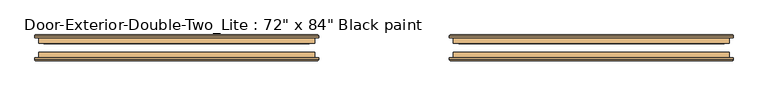
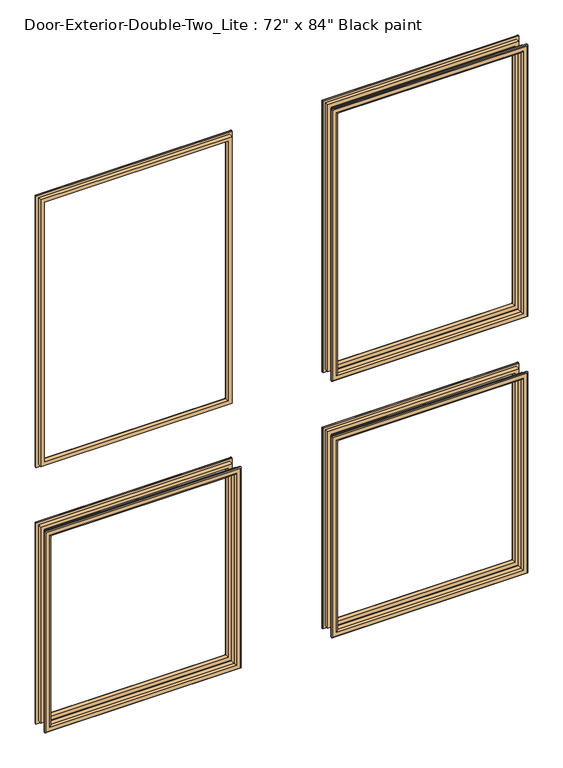
"""IFC4 building model written with IfcOpenShell, lengths in millimetres: door geometry."""

from ifc_helpers import new_model, si_unit, frame, origin, place, context, project, spatial, ellipse_curve, source, transform, mapped, element, save
from ifc_brep_helpers import plane_surface, cylinder_surface, advanced_brep


def door_3f34ee14(model_context):
    return source(origin(), model_context, "Body", "AdvancedBrep", [
        advanced_brep(
        [(-762.0, 144.4625, 914.4), (-762.0, 157.1625, 914.4), (-762.0, 157.1625, 254.0), (-762.0, 144.4625, 254.0), (-750.0, 158.1625, 902.4), (-750.0, 144.4625, 902.4), (-750.0, 144.4625, 266.0), (-750.0, 158.1625, 266.0), (-755.0, 163.1625, 907.4), (-755.0, 163.1625, 261.0), (-770.0, 161.1625, 922.4), (-768.0, 163.1625, 920.4), (-768.0, 163.1625, 248.0), (-770.0, 161.1625, 246.0), (-770.0, 157.1625, 922.4), (-770.0, 157.1625, 246.0), (-152.4, 157.1625, 254.0), (-152.4, 144.4625, 254.0), (-164.4, 144.4625, 266.0), (-164.4, 158.1625, 266.0), (-159.4, 163.1625, 261.0), (-146.4, 163.1625, 248.0), (-144.4, 161.1625, 246.0), (-144.4, 157.1625, 246.0), (-152.4, 157.1625, 914.4), (-152.4, 144.4625, 914.4), (-164.4, 144.4625, 902.4), (-164.4, 158.1625, 902.4), (-159.4, 163.1625, 907.4), (-146.4, 163.1625, 920.4), (-144.4, 161.1625, 922.4), (-144.4, 157.1625, 922.4)],
        [
            (0, 1),
            (1, 2),
            (2, 3),
            (3, 0),
            (4, 5),
            (5, 6),
            (6, 7),
            (7, 4),
            (8, 4, ellipse_curve(frame((-755.0, 158.1625, 907.4), z_axis=(-0.7071067811865475, 0.0, -0.7071067811865475), x_axis=(-0.7071067811865474, 0.0, 0.7071067811865476)), 7.0710678, 5.0)),
            (7, 9, ellipse_curve(frame((-755.0, 158.1625, 261.0), z_axis=(-0.7071067811865475, 0.0, 0.7071067811865475), x_axis=(0.7071067811865474, 0.0, 0.7071067811865476)), 7.0710678, 5.0)),
            (9, 8),
            (10, 11, ellipse_curve(frame((-768.0, 161.1625, 920.4), z_axis=(-0.7071067811865475, 0.0, -0.7071067811865475), x_axis=(-0.7071067811865474, 0.0, 0.7071067811865476)), 2.8284271, 2.0)),
            (11, 12),
            (12, 13, ellipse_curve(frame((-768.0, 161.1625, 248.0), z_axis=(-0.7071067811865475, 0.0, 0.7071067811865475), x_axis=(0.7071067811865474, 0.0, 0.7071067811865476)), 2.8284271, 2.0)),
            (13, 10),
            (14, 10),
            (13, 15),
            (15, 14),
            (2, 16),
            (16, 17),
            (17, 3),
            (6, 18),
            (18, 19),
            (19, 7),
            (19, 20, ellipse_curve(frame((-159.4, 158.1625, 261.0), z_axis=(-0.7071067811865475, 0.0, -0.7071067811865475), x_axis=(-0.7071067811865476, 0.0, 0.7071067811865474)), 7.0710678, 5.0)),
            (20, 9),
            (12, 21),
            (21, 22, ellipse_curve(frame((-146.4, 161.1625, 248.0), z_axis=(-0.7071067811865475, 0.0, -0.7071067811865475), x_axis=(-0.7071067811865476, 0.0, 0.7071067811865474)), 2.8284271, 2.0)),
            (22, 13),
            (22, 23),
            (23, 15),
            (16, 24),
            (24, 25),
            (25, 17),
            (18, 26),
            (26, 27),
            (27, 19),
            (27, 28, ellipse_curve(frame((-159.4, 158.1625, 907.4), z_axis=(0.7071067811865475, 0.0, -0.7071067811865475), x_axis=(-0.7071067811865474, 0.0, -0.7071067811865476)), 7.0710678, 5.0)),
            (28, 20),
            (21, 29),
            (29, 30, ellipse_curve(frame((-146.4, 161.1625, 920.4), z_axis=(0.7071067811865475, 0.0, -0.7071067811865475), x_axis=(-0.7071067811865474, 0.0, -0.7071067811865476)), 2.8284271, 2.0)),
            (30, 22),
            (30, 31),
            (31, 23),
            (31, 14),
            (1, 24),
            (0, 25),
            (5, 26),
            (4, 27),
            (8, 28),
            (11, 29),
            (10, 30),
        ],
        [
            plane_surface(frame((-762.0, 157.1625, 914.4), z_axis=(-1.0, 0.0, 0.0), x_axis=(0.0, 0.0, -1.0))),
            plane_surface(frame((-750.0, 144.4625, 902.4), z_axis=(1.0, 0.0, 0.0), x_axis=(0.0, 0.0, -1.0))),
            cylinder_surface(frame((-755.0, 158.1625, 914.4), z_axis=(0.0, 0.0, 1.0), x_axis=(-1.0, 0.0, 0.0)), 5.0),
            cylinder_surface(frame((-768.0, 161.1625, 914.4), z_axis=(0.0, 0.0, 1.0), x_axis=(-1.0, 0.0, 0.0)), 2.0),
            plane_surface(frame((-770.0, 161.1625, 922.4), z_axis=(-1.0, 0.0, 0.0), x_axis=(0.0, 0.0, -1.0))),
            plane_surface(frame((-762.0, 157.1625, 254.0), z_axis=(0.0, 0.0, -1.0), x_axis=(1.0, 0.0, 0.0))),
            plane_surface(frame((-750.0, 144.4625, 266.0), z_axis=(0.0, 0.0, 1.0), x_axis=(1.0, 0.0, 0.0))),
            cylinder_surface(frame((-762.0, 158.1625, 261.0), z_axis=(-1.0, 0.0, 0.0), x_axis=(0.0, 0.0, -1.0)), 5.0),
            cylinder_surface(frame((-762.0, 161.1625, 248.0), z_axis=(-1.0, 0.0, 0.0), x_axis=(0.0, 0.0, -1.0)), 2.0),
            plane_surface(frame((-770.0, 161.1625, 246.0), z_axis=(0.0, 0.0, -1.0), x_axis=(1.0, 0.0, 0.0))),
            plane_surface(frame((-152.4, 157.1625, 254.0), z_axis=(1.0, 0.0, 0.0), x_axis=(0.0, 0.0, 1.0))),
            plane_surface(frame((-164.4, 144.4625, 266.0), z_axis=(-1.0, 0.0, 0.0), x_axis=(0.0, 0.0, 1.0))),
            cylinder_surface(frame((-159.4, 158.1625, 254.0), z_axis=(0.0, 0.0, -1.0), x_axis=(1.0, 0.0, 0.0)), 5.0),
            cylinder_surface(frame((-146.4, 161.1625, 254.0), z_axis=(0.0, 0.0, -1.0), x_axis=(1.0, 0.0, 0.0)), 2.0),
            plane_surface(frame((-144.4, 161.1625, 246.0), z_axis=(1.0, 0.0, 0.0), x_axis=(0.0, 0.0, 1.0))),
            plane_surface(frame((-144.4, 157.1625, 922.4), z_axis=(0.0, -1.0, 0.0), x_axis=(-1.0, 0.0, 0.0))),
            plane_surface(frame((-152.4, 157.1625, 914.4), z_axis=(0.0, 0.0, 1.0), x_axis=(-1.0, 0.0, 0.0))),
            plane_surface(frame((-152.4, 144.4625, 914.4), z_axis=(0.0, -1.0, 0.0), x_axis=(-1.0, 0.0, 0.0))),
            plane_surface(frame((-164.4, 144.4625, 902.4), z_axis=(0.0, 0.0, -1.0), x_axis=(-1.0, 0.0, 0.0))),
            cylinder_surface(frame((-152.4, 158.1625, 907.4), z_axis=(1.0, 0.0, 0.0), x_axis=(0.0, 0.0, 1.0)), 5.0),
            plane_surface(frame((-159.4, 163.1625, 907.4), z_axis=(0.0, 1.0, 0.0), x_axis=(-1.0, 0.0, 0.0))),
            cylinder_surface(frame((-152.4, 161.1625, 920.4), z_axis=(1.0, 0.0, 0.0), x_axis=(0.0, 0.0, 1.0)), 2.0),
            plane_surface(frame((-144.4, 161.1625, 922.4), z_axis=(0.0, 0.0, 1.0), x_axis=(-1.0, 0.0, 0.0))),
        ],
        [
            (0, [[1, 2, 3, 4]]),
            (1, [[5, 6, 7, 8]]),
            (2, [[9, -8, 10, 11]]),
            (3, [[12, 13, 14, 15]]),
            (4, [[16, -15, 17, 18]]),
            (5, [[-3, 19, 20, 21]]),
            (6, [[-7, 22, 23, 24]]),
            (7, [[-10, -24, 25, 26]]),
            (8, [[-14, 27, 28, 29]]),
            (9, [[-17, -29, 30, 31]]),
            (10, [[-20, 32, 33, 34]]),
            (11, [[-23, 35, 36, 37]]),
            (12, [[-25, -37, 38, 39]]),
            (13, [[-28, 40, 41, 42]]),
            (14, [[-30, -42, 43, 44]]),
            (15, [[-31, -44, 45, -18], [46, -32, -19, -2]]),
            (16, [[-33, -46, -1, 47]]),
            (17, [[-21, -34, -47, -4], [48, -35, -22, -6]]),
            (18, [[-36, -48, -5, 49]]),
            (19, [[-38, -49, -9, 50]]),
            (20, [[51, -40, -27, -13], [-26, -39, -50, -11]]),
            (21, [[-41, -51, -12, 52]]),
            (22, [[-43, -52, -16, -45]]),
        ],
    ),
        advanced_brep(
        [(152.4, 144.4625, 914.4), (152.4, 157.1625, 914.4), (152.4, 157.1625, 254.0), (152.4, 144.4625, 254.0), (164.4, 158.1625, 902.4), (164.4, 144.4625, 902.4), (164.4, 144.4625, 266.0), (164.4, 158.1625, 266.0), (159.4, 163.1625, 907.4), (159.4, 163.1625, 261.0), (144.4, 161.1625, 922.4), (146.4, 163.1625, 920.4), (146.4, 163.1625, 248.0), (144.4, 161.1625, 246.0), (144.4, 157.1625, 922.4), (144.4, 157.1625, 246.0), (762.0, 157.1625, 254.0), (762.0, 144.4625, 254.0), (750.0, 144.4625, 266.0), (750.0, 158.1625, 266.0), (755.0, 163.1625, 261.0), (768.0, 163.1625, 248.0), (770.0, 161.1625, 246.0), (770.0, 157.1625, 246.0), (762.0, 157.1625, 914.4), (762.0, 144.4625, 914.4), (750.0, 144.4625, 902.4), (750.0, 158.1625, 902.4), (755.0, 163.1625, 907.4), (768.0, 163.1625, 920.4), (770.0, 161.1625, 922.4), (770.0, 157.1625, 922.4)],
        [
            (0, 1),
            (1, 2),
            (2, 3),
            (3, 0),
            (4, 5),
            (5, 6),
            (6, 7),
            (7, 4),
            (8, 4, ellipse_curve(frame((159.4, 158.1625, 907.4), z_axis=(-0.7071067811865475, 0.0, -0.7071067811865475), x_axis=(-0.7071067811865474, 0.0, 0.7071067811865476)), 7.0710678, 5.0)),
            (7, 9, ellipse_curve(frame((159.4, 158.1625, 261.0), z_axis=(-0.7071067811865475, 0.0, 0.7071067811865475), x_axis=(0.7071067811865474, 0.0, 0.7071067811865476)), 7.0710678, 5.0)),
            (9, 8),
            (10, 11, ellipse_curve(frame((146.4, 161.1625, 920.4), z_axis=(-0.7071067811865475, 0.0, -0.7071067811865475), x_axis=(-0.7071067811865474, 0.0, 0.7071067811865476)), 2.8284271, 2.0)),
            (11, 12),
            (12, 13, ellipse_curve(frame((146.4, 161.1625, 248.0), z_axis=(-0.7071067811865475, 0.0, 0.7071067811865475), x_axis=(0.7071067811865474, 0.0, 0.7071067811865476)), 2.8284271, 2.0)),
            (13, 10),
            (14, 10),
            (13, 15),
            (15, 14),
            (2, 16),
            (16, 17),
            (17, 3),
            (6, 18),
            (18, 19),
            (19, 7),
            (19, 20, ellipse_curve(frame((755.0, 158.1625, 261.0), z_axis=(-0.7071067811865475, 0.0, -0.7071067811865475), x_axis=(-0.7071067811865476, 0.0, 0.7071067811865474)), 7.0710678, 5.0)),
            (20, 9),
            (12, 21),
            (21, 22, ellipse_curve(frame((768.0, 161.1625, 248.0), z_axis=(-0.7071067811865475, 0.0, -0.7071067811865475), x_axis=(-0.7071067811865476, 0.0, 0.7071067811865474)), 2.8284271, 2.0)),
            (22, 13),
            (22, 23),
            (23, 15),
            (16, 24),
            (24, 25),
            (25, 17),
            (18, 26),
            (26, 27),
            (27, 19),
            (27, 28, ellipse_curve(frame((755.0, 158.1625, 907.4), z_axis=(0.7071067811865475, 0.0, -0.7071067811865475), x_axis=(-0.7071067811865474, 0.0, -0.7071067811865476)), 7.0710678, 5.0)),
            (28, 20),
            (21, 29),
            (29, 30, ellipse_curve(frame((768.0, 161.1625, 920.4), z_axis=(0.7071067811865475, 0.0, -0.7071067811865475), x_axis=(-0.7071067811865474, 0.0, -0.7071067811865476)), 2.8284271, 2.0)),
            (30, 22),
            (30, 31),
            (31, 23),
            (31, 14),
            (1, 24),
            (0, 25),
            (5, 26),
            (4, 27),
            (8, 28),
            (11, 29),
            (10, 30),
        ],
        [
            plane_surface(frame((152.4, 157.1625, 914.4), z_axis=(-1.0, 0.0, 0.0), x_axis=(0.0, 0.0, -1.0))),
            plane_surface(frame((164.4, 144.4625, 902.4), z_axis=(1.0, 0.0, 0.0), x_axis=(0.0, 0.0, -1.0))),
            cylinder_surface(frame((159.4, 158.1625, 914.4), z_axis=(0.0, 0.0, 1.0), x_axis=(-1.0, 0.0, 0.0)), 5.0),
            cylinder_surface(frame((146.4, 161.1625, 914.4), z_axis=(0.0, 0.0, 1.0), x_axis=(-1.0, 0.0, 0.0)), 2.0),
            plane_surface(frame((144.4, 161.1625, 922.4), z_axis=(-1.0, 0.0, 0.0), x_axis=(0.0, 0.0, -1.0))),
            plane_surface(frame((152.4, 157.1625, 254.0), z_axis=(0.0, 0.0, -1.0), x_axis=(1.0, 0.0, 0.0))),
            plane_surface(frame((164.4, 144.4625, 266.0), z_axis=(0.0, 0.0, 1.0), x_axis=(1.0, 0.0, 0.0))),
            cylinder_surface(frame((152.4, 158.1625, 261.0), z_axis=(-1.0, 0.0, 0.0), x_axis=(0.0, 0.0, -1.0)), 5.0),
            cylinder_surface(frame((152.4, 161.1625, 248.0), z_axis=(-1.0, 0.0, 0.0), x_axis=(0.0, 0.0, -1.0)), 2.0),
            plane_surface(frame((144.4, 161.1625, 246.0), z_axis=(0.0, 0.0, -1.0), x_axis=(1.0, 0.0, 0.0))),
            plane_surface(frame((762.0, 157.1625, 254.0), z_axis=(1.0, 0.0, 0.0), x_axis=(0.0, 0.0, 1.0))),
            plane_surface(frame((750.0, 144.4625, 266.0), z_axis=(-1.0, 0.0, 0.0), x_axis=(0.0, 0.0, 1.0))),
            cylinder_surface(frame((755.0, 158.1625, 254.0), z_axis=(0.0, 0.0, -1.0), x_axis=(1.0, 0.0, 0.0)), 5.0),
            cylinder_surface(frame((768.0, 161.1625, 254.0), z_axis=(0.0, 0.0, -1.0), x_axis=(1.0, 0.0, 0.0)), 2.0),
            plane_surface(frame((770.0, 161.1625, 246.0), z_axis=(1.0, 0.0, 0.0), x_axis=(0.0, 0.0, 1.0))),
            plane_surface(frame((770.0, 157.1625, 922.4), z_axis=(0.0, -1.0, 0.0), x_axis=(-1.0, 0.0, 0.0))),
            plane_surface(frame((762.0, 157.1625, 914.4), z_axis=(0.0, 0.0, 1.0), x_axis=(-1.0, 0.0, 0.0))),
            plane_surface(frame((762.0, 144.4625, 914.4), z_axis=(0.0, -1.0, 0.0), x_axis=(-1.0, 0.0, 0.0))),
            plane_surface(frame((750.0, 144.4625, 902.4), z_axis=(0.0, 0.0, -1.0), x_axis=(-1.0, 0.0, 0.0))),
            cylinder_surface(frame((762.0, 158.1625, 907.4), z_axis=(1.0, 0.0, 0.0), x_axis=(0.0, 0.0, 1.0)), 5.0),
            plane_surface(frame((755.0, 163.1625, 907.4), z_axis=(0.0, 1.0, 0.0), x_axis=(-1.0, 0.0, 0.0))),
            cylinder_surface(frame((762.0, 161.1625, 920.4), z_axis=(1.0, 0.0, 0.0), x_axis=(0.0, 0.0, 1.0)), 2.0),
            plane_surface(frame((770.0, 161.1625, 922.4), z_axis=(0.0, 0.0, 1.0), x_axis=(-1.0, 0.0, 0.0))),
        ],
        [
            (0, [[1, 2, 3, 4]]),
            (1, [[5, 6, 7, 8]]),
            (2, [[9, -8, 10, 11]]),
            (3, [[12, 13, 14, 15]]),
            (4, [[16, -15, 17, 18]]),
            (5, [[-3, 19, 20, 21]]),
            (6, [[-7, 22, 23, 24]]),
            (7, [[-10, -24, 25, 26]]),
            (8, [[-14, 27, 28, 29]]),
            (9, [[-17, -29, 30, 31]]),
            (10, [[-20, 32, 33, 34]]),
            (11, [[-23, 35, 36, 37]]),
            (12, [[-25, -37, 38, 39]]),
            (13, [[-28, 40, 41, 42]]),
            (14, [[-30, -42, 43, 44]]),
            (15, [[-31, -44, 45, -18], [46, -32, -19, -2]]),
            (16, [[-33, -46, -1, 47]]),
            (17, [[-21, -34, -47, -4], [48, -35, -22, -6]]),
            (18, [[-36, -48, -5, 49]]),
            (19, [[-38, -49, -9, 50]]),
            (20, [[51, -40, -27, -13], [-26, -39, -50, -11]]),
            (21, [[-41, -51, -12, 52]]),
            (22, [[-43, -52, -16, -45]]),
        ],
    ),
        advanced_brep(
        [(152.4, 144.4625, 2016.125), (152.4, 157.1625, 2016.125), (152.4, 157.1625, 1117.6), (152.4, 144.4625, 1117.6), (164.4, 158.1625, 2004.125), (164.4, 144.4625, 2004.125), (164.4, 144.4625, 1129.6), (164.4, 158.1625, 1129.6), (159.4, 163.1625, 2009.125), (159.4, 163.1625, 1124.6), (144.4, 161.1625, 2024.125), (146.4, 163.1625, 2022.125), (146.4, 163.1625, 1111.6), (144.4, 161.1625, 1109.6), (144.4, 157.1625, 2024.125), (144.4, 157.1625, 1109.6), (762.0, 157.1625, 1117.6), (762.0, 144.4625, 1117.6), (750.0, 144.4625, 1129.6), (750.0, 158.1625, 1129.6), (755.0, 163.1625, 1124.6), (768.0, 163.1625, 1111.6), (770.0, 161.1625, 1109.6), (770.0, 157.1625, 1109.6), (762.0, 157.1625, 2016.125), (762.0, 144.4625, 2016.125), (750.0, 144.4625, 2004.125), (750.0, 158.1625, 2004.125), (755.0, 163.1625, 2009.125), (768.0, 163.1625, 2022.125), (770.0, 161.1625, 2024.125), (770.0, 157.1625, 2024.125)],
        [
            (0, 1),
            (1, 2),
            (2, 3),
            (3, 0),
            (4, 5),
            (5, 6),
            (6, 7),
            (7, 4),
            (8, 4, ellipse_curve(frame((159.4, 158.1625, 2009.125), z_axis=(-0.7071067811865475, 0.0, -0.7071067811865475), x_axis=(-0.7071067811865474, 0.0, 0.7071067811865476)), 7.0710678, 5.0)),
            (7, 9, ellipse_curve(frame((159.4, 158.1625, 1124.6), z_axis=(-0.7071067811865475, 0.0, 0.7071067811865475), x_axis=(0.7071067811865474, 0.0, 0.7071067811865476)), 7.0710678, 5.0)),
            (9, 8),
            (10, 11, ellipse_curve(frame((146.4, 161.1625, 2022.125), z_axis=(-0.7071067811865475, 0.0, -0.7071067811865475), x_axis=(-0.7071067811865474, 0.0, 0.7071067811865476)), 2.8284271, 2.0)),
            (11, 12),
            (12, 13, ellipse_curve(frame((146.4, 161.1625, 1111.6), z_axis=(-0.7071067811865475, 0.0, 0.7071067811865475), x_axis=(0.7071067811865474, 0.0, 0.7071067811865476)), 2.8284271, 2.0)),
            (13, 10),
            (14, 10),
            (13, 15),
            (15, 14),
            (2, 16),
            (16, 17),
            (17, 3),
            (6, 18),
            (18, 19),
            (19, 7),
            (19, 20, ellipse_curve(frame((755.0, 158.1625, 1124.6), z_axis=(-0.7071067811865475, 0.0, -0.7071067811865475), x_axis=(-0.7071067811865476, 0.0, 0.7071067811865474)), 7.0710678, 5.0)),
            (20, 9),
            (12, 21),
            (21, 22, ellipse_curve(frame((768.0, 161.1625, 1111.6), z_axis=(-0.7071067811865475, 0.0, -0.7071067811865475), x_axis=(-0.7071067811865476, 0.0, 0.7071067811865474)), 2.8284271, 2.0)),
            (22, 13),
            (22, 23),
            (23, 15),
            (16, 24),
            (24, 25),
            (25, 17),
            (18, 26),
            (26, 27),
            (27, 19),
            (27, 28, ellipse_curve(frame((755.0, 158.1625, 2009.125), z_axis=(0.7071067811865475, 0.0, -0.7071067811865475), x_axis=(-0.7071067811865474, 0.0, -0.7071067811865476)), 7.0710678, 5.0)),
            (28, 20),
            (21, 29),
            (29, 30, ellipse_curve(frame((768.0, 161.1625, 2022.125), z_axis=(0.7071067811865475, 0.0, -0.7071067811865475), x_axis=(-0.7071067811865474, 0.0, -0.7071067811865476)), 2.8284271, 2.0)),
            (30, 22),
            (30, 31),
            (31, 23),
            (31, 14),
            (1, 24),
            (0, 25),
            (5, 26),
            (4, 27),
            (8, 28),
            (11, 29),
            (10, 30),
        ],
        [
            plane_surface(frame((152.4, 157.1625, 2016.125), z_axis=(-1.0, 0.0, 0.0), x_axis=(0.0, 0.0, -1.0))),
            plane_surface(frame((164.4, 144.4625, 2004.125), z_axis=(1.0, 0.0, 0.0), x_axis=(0.0, 0.0, -1.0))),
            cylinder_surface(frame((159.4, 158.1625, 2016.125), z_axis=(0.0, 0.0, 1.0), x_axis=(-1.0, 0.0, 0.0)), 5.0),
            cylinder_surface(frame((146.4, 161.1625, 2016.125), z_axis=(0.0, 0.0, 1.0), x_axis=(-1.0, 0.0, 0.0)), 2.0),
            plane_surface(frame((144.4, 161.1625, 2024.125), z_axis=(-1.0, 0.0, 0.0), x_axis=(0.0, 0.0, -1.0))),
            plane_surface(frame((152.4, 157.1625, 1117.6), z_axis=(0.0, 0.0, -1.0), x_axis=(1.0, 0.0, 0.0))),
            plane_surface(frame((164.4, 144.4625, 1129.6), z_axis=(0.0, 0.0, 1.0), x_axis=(1.0, 0.0, 0.0))),
            cylinder_surface(frame((152.4, 158.1625, 1124.6), z_axis=(-1.0, 0.0, 0.0), x_axis=(0.0, 0.0, -1.0)), 5.0),
            cylinder_surface(frame((152.4, 161.1625, 1111.6), z_axis=(-1.0, 0.0, 0.0), x_axis=(0.0, 0.0, -1.0)), 2.0),
            plane_surface(frame((144.4, 161.1625, 1109.6), z_axis=(0.0, 0.0, -1.0), x_axis=(1.0, 0.0, 0.0))),
            plane_surface(frame((762.0, 157.1625, 1117.6), z_axis=(1.0, 0.0, 0.0), x_axis=(0.0, 0.0, 1.0))),
            plane_surface(frame((750.0, 144.4625, 1129.6), z_axis=(-1.0, 0.0, 0.0), x_axis=(0.0, 0.0, 1.0))),
            cylinder_surface(frame((755.0, 158.1625, 1117.6), z_axis=(0.0, 0.0, -1.0), x_axis=(1.0, 0.0, 0.0)), 5.0),
            cylinder_surface(frame((768.0, 161.1625, 1117.6), z_axis=(0.0, 0.0, -1.0), x_axis=(1.0, 0.0, 0.0)), 2.0),
            plane_surface(frame((770.0, 161.1625, 1109.6), z_axis=(1.0, 0.0, 0.0), x_axis=(0.0, 0.0, 1.0))),
            plane_surface(frame((770.0, 157.1625, 2024.125), z_axis=(0.0, -1.0, 0.0), x_axis=(-1.0, 0.0, 0.0))),
            plane_surface(frame((762.0, 157.1625, 2016.125), z_axis=(0.0, 0.0, 1.0), x_axis=(-1.0, 0.0, 0.0))),
            plane_surface(frame((762.0, 144.4625, 2016.125), z_axis=(0.0, -1.0, 0.0), x_axis=(-1.0, 0.0, 0.0))),
            plane_surface(frame((750.0, 144.4625, 2004.125), z_axis=(0.0, 0.0, -1.0), x_axis=(-1.0, 0.0, 0.0))),
            cylinder_surface(frame((762.0, 158.1625, 2009.125), z_axis=(1.0, 0.0, 0.0), x_axis=(0.0, 0.0, 1.0)), 5.0),
            plane_surface(frame((755.0, 163.1625, 2009.125), z_axis=(0.0, 1.0, 0.0), x_axis=(-1.0, 0.0, 0.0))),
            cylinder_surface(frame((762.0, 161.1625, 2022.125), z_axis=(1.0, 0.0, 0.0), x_axis=(0.0, 0.0, 1.0)), 2.0),
            plane_surface(frame((770.0, 161.1625, 2024.125), z_axis=(0.0, 0.0, 1.0), x_axis=(-1.0, 0.0, 0.0))),
        ],
        [
            (0, [[1, 2, 3, 4]]),
            (1, [[5, 6, 7, 8]]),
            (2, [[9, -8, 10, 11]]),
            (3, [[12, 13, 14, 15]]),
            (4, [[16, -15, 17, 18]]),
            (5, [[-3, 19, 20, 21]]),
            (6, [[-7, 22, 23, 24]]),
            (7, [[-10, -24, 25, 26]]),
            (8, [[-14, 27, 28, 29]]),
            (9, [[-17, -29, 30, 31]]),
            (10, [[-20, 32, 33, 34]]),
            (11, [[-23, 35, 36, 37]]),
            (12, [[-25, -37, 38, 39]]),
            (13, [[-28, 40, 41, 42]]),
            (14, [[-30, -42, 43, 44]]),
            (15, [[-31, -44, 45, -18], [46, -32, -19, -2]]),
            (16, [[-33, -46, -1, 47]]),
            (17, [[-21, -34, -47, -4], [48, -35, -22, -6]]),
            (18, [[-36, -48, -5, 49]]),
            (19, [[-38, -49, -9, 50]]),
            (20, [[51, -40, -27, -13], [-26, -39, -50, -11]]),
            (21, [[-41, -51, -12, 52]]),
            (22, [[-43, -52, -16, -45]]),
        ],
    ),
        advanced_brep(
        [(-762.0, 144.4625, 2016.125), (-762.0, 157.1625, 2016.125), (-762.0, 157.1625, 1117.6), (-762.0, 144.4625, 1117.6), (-750.0, 158.1625, 2004.125), (-750.0, 144.4625, 2004.125), (-750.0, 144.4625, 1129.6), (-750.0, 158.1625, 1129.6), (-755.0, 163.1625, 2009.125), (-755.0, 163.1625, 1124.6), (-770.0, 161.1625, 2024.125), (-768.0, 163.1625, 2022.125), (-768.0, 163.1625, 1111.6), (-770.0, 161.1625, 1109.6), (-770.0, 157.1625, 2024.125), (-770.0, 157.1625, 1109.6), (-152.4, 157.1625, 1117.6), (-152.4, 144.4625, 1117.6), (-164.4, 144.4625, 1129.6), (-164.4, 158.1625, 1129.6), (-159.4, 163.1625, 1124.6), (-146.4, 163.1625, 1111.6), (-144.4, 161.1625, 1109.6), (-144.4, 157.1625, 1109.6), (-152.4, 157.1625, 2016.125), (-152.4, 144.4625, 2016.125), (-164.4, 144.4625, 2004.125), (-164.4, 158.1625, 2004.125), (-159.4, 163.1625, 2009.125), (-146.4, 163.1625, 2022.125), (-144.4, 161.1625, 2024.125), (-144.4, 157.1625, 2024.125)],
        [
            (0, 1),
            (1, 2),
            (2, 3),
            (3, 0),
            (4, 5),
            (5, 6),
            (6, 7),
            (7, 4),
            (8, 4, ellipse_curve(frame((-755.0, 158.1625, 2009.125), z_axis=(-0.7071067811865475, 0.0, -0.7071067811865475), x_axis=(-0.7071067811865474, 0.0, 0.7071067811865476)), 7.0710678, 5.0)),
            (7, 9, ellipse_curve(frame((-755.0, 158.1625, 1124.6), z_axis=(-0.7071067811865475, 0.0, 0.7071067811865475), x_axis=(0.7071067811865474, 0.0, 0.7071067811865476)), 7.0710678, 5.0)),
            (9, 8),
            (10, 11, ellipse_curve(frame((-768.0, 161.1625, 2022.125), z_axis=(-0.7071067811865475, 0.0, -0.7071067811865475), x_axis=(-0.7071067811865474, 0.0, 0.7071067811865476)), 2.8284271, 2.0)),
            (11, 12),
            (12, 13, ellipse_curve(frame((-768.0, 161.1625, 1111.6), z_axis=(-0.7071067811865475, 0.0, 0.7071067811865475), x_axis=(0.7071067811865474, 0.0, 0.7071067811865476)), 2.8284271, 2.0)),
            (13, 10),
            (14, 10),
            (13, 15),
            (15, 14),
            (2, 16),
            (16, 17),
            (17, 3),
            (6, 18),
            (18, 19),
            (19, 7),
            (19, 20, ellipse_curve(frame((-159.4, 158.1625, 1124.6), z_axis=(-0.7071067811865475, 0.0, -0.7071067811865475), x_axis=(-0.7071067811865476, 0.0, 0.7071067811865474)), 7.0710678, 5.0)),
            (20, 9),
            (12, 21),
            (21, 22, ellipse_curve(frame((-146.4, 161.1625, 1111.6), z_axis=(-0.7071067811865475, 0.0, -0.7071067811865475), x_axis=(-0.7071067811865476, 0.0, 0.7071067811865474)), 2.8284271, 2.0)),
            (22, 13),
            (22, 23),
            (23, 15),
            (16, 24),
            (24, 25),
            (25, 17),
            (18, 26),
            (26, 27),
            (27, 19),
            (27, 28, ellipse_curve(frame((-159.4, 158.1625, 2009.125), z_axis=(0.7071067811865475, 0.0, -0.7071067811865475), x_axis=(-0.7071067811865474, 0.0, -0.7071067811865476)), 7.0710678, 5.0)),
            (28, 20),
            (21, 29),
            (29, 30, ellipse_curve(frame((-146.4, 161.1625, 2022.125), z_axis=(0.7071067811865475, 0.0, -0.7071067811865475), x_axis=(-0.7071067811865474, 0.0, -0.7071067811865476)), 2.8284271, 2.0)),
            (30, 22),
            (30, 31),
            (31, 23),
            (31, 14),
            (1, 24),
            (0, 25),
            (5, 26),
            (4, 27),
            (8, 28),
            (11, 29),
            (10, 30),
        ],
        [
            plane_surface(frame((-762.0, 157.1625, 2016.125), z_axis=(-1.0, 0.0, 0.0), x_axis=(0.0, 0.0, -1.0))),
            plane_surface(frame((-750.0, 144.4625, 2004.125), z_axis=(1.0, 0.0, 0.0), x_axis=(0.0, 0.0, -1.0))),
            cylinder_surface(frame((-755.0, 158.1625, 2016.125), z_axis=(0.0, 0.0, 1.0), x_axis=(-1.0, 0.0, 0.0)), 5.0),
            cylinder_surface(frame((-768.0, 161.1625, 2016.125), z_axis=(0.0, 0.0, 1.0), x_axis=(-1.0, 0.0, 0.0)), 2.0),
            plane_surface(frame((-770.0, 161.1625, 2024.125), z_axis=(-1.0, 0.0, 0.0), x_axis=(0.0, 0.0, -1.0))),
            plane_surface(frame((-762.0, 157.1625, 1117.6), z_axis=(0.0, 0.0, -1.0), x_axis=(1.0, 0.0, 0.0))),
            plane_surface(frame((-750.0, 144.4625, 1129.6), z_axis=(0.0, 0.0, 1.0), x_axis=(1.0, 0.0, 0.0))),
            cylinder_surface(frame((-762.0, 158.1625, 1124.6), z_axis=(-1.0, 0.0, 0.0), x_axis=(0.0, 0.0, -1.0)), 5.0),
            cylinder_surface(frame((-762.0, 161.1625, 1111.6), z_axis=(-1.0, 0.0, 0.0), x_axis=(0.0, 0.0, -1.0)), 2.0),
            plane_surface(frame((-770.0, 161.1625, 1109.6), z_axis=(0.0, 0.0, -1.0), x_axis=(1.0, 0.0, 0.0))),
            plane_surface(frame((-152.4, 157.1625, 1117.6), z_axis=(1.0, 0.0, 0.0), x_axis=(0.0, 0.0, 1.0))),
            plane_surface(frame((-164.4, 144.4625, 1129.6), z_axis=(-1.0, 0.0, 0.0), x_axis=(0.0, 0.0, 1.0))),
            cylinder_surface(frame((-159.4, 158.1625, 1117.6), z_axis=(0.0, 0.0, -1.0), x_axis=(1.0, 0.0, 0.0)), 5.0),
            cylinder_surface(frame((-146.4, 161.1625, 1117.6), z_axis=(0.0, 0.0, -1.0), x_axis=(1.0, 0.0, 0.0)), 2.0),
            plane_surface(frame((-144.4, 161.1625, 1109.6), z_axis=(1.0, 0.0, 0.0), x_axis=(0.0, 0.0, 1.0))),
            plane_surface(frame((-144.4, 157.1625, 2024.125), z_axis=(0.0, -1.0, 0.0), x_axis=(-1.0, 0.0, 0.0))),
            plane_surface(frame((-152.4, 157.1625, 2016.125), z_axis=(0.0, 0.0, 1.0), x_axis=(-1.0, 0.0, 0.0))),
            plane_surface(frame((-152.4, 144.4625, 2016.125), z_axis=(0.0, -1.0, 0.0), x_axis=(-1.0, 0.0, 0.0))),
            plane_surface(frame((-164.4, 144.4625, 2004.125), z_axis=(0.0, 0.0, -1.0), x_axis=(-1.0, 0.0, 0.0))),
            cylinder_surface(frame((-152.4, 158.1625, 2009.125), z_axis=(1.0, 0.0, 0.0), x_axis=(0.0, 0.0, 1.0)), 5.0),
            plane_surface(frame((-159.4, 163.1625, 2009.125), z_axis=(0.0, 1.0, 0.0), x_axis=(-1.0, 0.0, 0.0))),
            cylinder_surface(frame((-152.4, 161.1625, 2022.125), z_axis=(1.0, 0.0, 0.0), x_axis=(0.0, 0.0, 1.0)), 2.0),
            plane_surface(frame((-144.4, 161.1625, 2024.125), z_axis=(0.0, 0.0, 1.0), x_axis=(-1.0, 0.0, 0.0))),
        ],
        [
            (0, [[1, 2, 3, 4]]),
            (1, [[5, 6, 7, 8]]),
            (2, [[9, -8, 10, 11]]),
            (3, [[12, 13, 14, 15]]),
            (4, [[16, -15, 17, 18]]),
            (5, [[-3, 19, 20, 21]]),
            (6, [[-7, 22, 23, 24]]),
            (7, [[-10, -24, 25, 26]]),
            (8, [[-14, 27, 28, 29]]),
            (9, [[-17, -29, 30, 31]]),
            (10, [[-20, 32, 33, 34]]),
            (11, [[-23, 35, 36, 37]]),
            (12, [[-25, -37, 38, 39]]),
            (13, [[-28, 40, 41, 42]]),
            (14, [[-30, -42, 43, 44]]),
            (15, [[-31, -44, 45, -18], [46, -32, -19, -2]]),
            (16, [[-33, -46, -1, 47]]),
            (17, [[-21, -34, -47, -4], [48, -35, -22, -6]]),
            (18, [[-36, -48, -5, 49]]),
            (19, [[-38, -49, -9, 50]]),
            (20, [[51, -40, -27, -13], [-26, -39, -50, -11]]),
            (21, [[-41, -51, -12, 52]]),
            (22, [[-43, -52, -16, -45]]),
        ],
    ),
        advanced_brep(
        [(-762.0, 125.4125, 254.0), (-762.0, 112.7125, 254.0), (-762.0, 112.7125, 914.4), (-762.0, 125.4125, 914.4), (-750.0, 111.7125, 266.0), (-750.0, 125.4125, 266.0), (-750.0, 125.4125, 902.4), (-750.0, 111.7125, 902.4), (-755.0, 106.7125, 261.0), (-755.0, 106.7125, 907.4), (-770.0, 108.7125, 246.0), (-768.0, 106.7125, 248.0), (-768.0, 106.7125, 920.4), (-770.0, 108.7125, 922.4), (-770.0, 112.7125, 246.0), (-770.0, 112.7125, 922.4), (-152.4, 112.7125, 914.4), (-152.4, 125.4125, 914.4), (-164.4, 125.4125, 902.4), (-164.4, 111.7125, 902.4), (-159.4, 106.7125, 907.4), (-146.4, 106.7125, 920.4), (-144.4, 108.7125, 922.4), (-144.4, 112.7125, 922.4), (-152.4, 112.7125, 254.0), (-152.4, 125.4125, 254.0), (-164.4, 125.4125, 266.0), (-164.4, 111.7125, 266.0), (-159.4, 106.7125, 261.0), (-146.4, 106.7125, 248.0), (-144.4, 108.7125, 246.0), (-144.4, 112.7125, 246.0)],
        [
            (0, 1),
            (1, 2),
            (2, 3),
            (3, 0),
            (4, 5),
            (5, 6),
            (6, 7),
            (7, 4),
            (8, 4, ellipse_curve(frame((-755.0, 111.7125, 261.0), z_axis=(-0.7071067811865475, 0.0, 0.7071067811865475), x_axis=(-0.7071067811865474, 0.0, -0.7071067811865476)), 7.0710678, 5.0)),
            (7, 9, ellipse_curve(frame((-755.0, 111.7125, 907.4), z_axis=(-0.7071067811865475, 0.0, -0.7071067811865475), x_axis=(0.7071067811865474, 0.0, -0.7071067811865476)), 7.0710678, 5.0)),
            (9, 8),
            (10, 11, ellipse_curve(frame((-768.0, 108.7125, 248.0), z_axis=(-0.7071067811865475, 0.0, 0.7071067811865475), x_axis=(-0.7071067811865474, 0.0, -0.7071067811865476)), 2.8284271, 2.0)),
            (11, 12),
            (12, 13, ellipse_curve(frame((-768.0, 108.7125, 920.4), z_axis=(-0.7071067811865475, 0.0, -0.7071067811865475), x_axis=(0.7071067811865474, 0.0, -0.7071067811865476)), 2.8284271, 2.0)),
            (13, 10),
            (14, 10),
            (13, 15),
            (15, 14),
            (2, 16),
            (16, 17),
            (17, 3),
            (6, 18),
            (18, 19),
            (19, 7),
            (19, 20, ellipse_curve(frame((-159.4, 111.7125, 907.4), z_axis=(-0.7071067811865475, 0.0, 0.7071067811865475), x_axis=(-0.7071067811865476, 0.0, -0.7071067811865474)), 7.0710678, 5.0)),
            (20, 9),
            (12, 21),
            (21, 22, ellipse_curve(frame((-146.4, 108.7125, 920.4), z_axis=(-0.7071067811865475, 0.0, 0.7071067811865475), x_axis=(-0.7071067811865476, 0.0, -0.7071067811865474)), 2.8284271, 2.0)),
            (22, 13),
            (22, 23),
            (23, 15),
            (16, 24),
            (24, 25),
            (25, 17),
            (18, 26),
            (26, 27),
            (27, 19),
            (27, 28, ellipse_curve(frame((-159.4, 111.7125, 261.0), z_axis=(0.7071067811865475, 0.0, 0.7071067811865475), x_axis=(-0.7071067811865474, 0.0, 0.7071067811865476)), 7.0710678, 5.0)),
            (28, 20),
            (21, 29),
            (29, 30, ellipse_curve(frame((-146.4, 108.7125, 248.0), z_axis=(0.7071067811865475, 0.0, 0.7071067811865475), x_axis=(-0.7071067811865474, 0.0, 0.7071067811865476)), 2.8284271, 2.0)),
            (30, 22),
            (30, 31),
            (31, 23),
            (31, 14),
            (1, 24),
            (0, 25),
            (5, 26),
            (4, 27),
            (8, 28),
            (11, 29),
            (10, 30),
        ],
        [
            plane_surface(frame((-762.0, 112.7125, 254.0), z_axis=(-1.0, 0.0, 0.0), x_axis=(0.0, 0.0, 1.0))),
            plane_surface(frame((-750.0, 125.4125, 266.0), z_axis=(1.0, 0.0, 0.0), x_axis=(0.0, 0.0, 1.0))),
            cylinder_surface(frame((-755.0, 111.7125, 254.0), z_axis=(0.0, 0.0, -1.0), x_axis=(-1.0, 0.0, 0.0)), 5.0),
            cylinder_surface(frame((-768.0, 108.7125, 254.0), z_axis=(0.0, 0.0, -1.0), x_axis=(-1.0, 0.0, 0.0)), 2.0),
            plane_surface(frame((-770.0, 108.7125, 246.0), z_axis=(-1.0, 0.0, 0.0), x_axis=(0.0, 0.0, 1.0))),
            plane_surface(frame((-762.0, 112.7125, 914.4), z_axis=(0.0, 0.0, 1.0), x_axis=(1.0, 0.0, 0.0))),
            plane_surface(frame((-750.0, 125.4125, 902.4), z_axis=(0.0, 0.0, -1.0), x_axis=(1.0, 0.0, 0.0))),
            cylinder_surface(frame((-762.0, 111.7125, 907.4), z_axis=(-1.0, 0.0, 0.0), x_axis=(0.0, 0.0, 1.0)), 5.0),
            cylinder_surface(frame((-762.0, 108.7125, 920.4), z_axis=(-1.0, 0.0, 0.0), x_axis=(0.0, 0.0, 1.0)), 2.0),
            plane_surface(frame((-770.0, 108.7125, 922.4), z_axis=(0.0, 0.0, 1.0), x_axis=(1.0, 0.0, 0.0))),
            plane_surface(frame((-152.4, 112.7125, 914.4), z_axis=(1.0, 0.0, 0.0), x_axis=(0.0, 0.0, -1.0))),
            plane_surface(frame((-164.4, 125.4125, 902.4), z_axis=(-1.0, 0.0, 0.0), x_axis=(0.0, 0.0, -1.0))),
            cylinder_surface(frame((-159.4, 111.7125, 914.4), z_axis=(0.0, 0.0, 1.0), x_axis=(1.0, 0.0, 0.0)), 5.0),
            cylinder_surface(frame((-146.4, 108.7125, 914.4), z_axis=(0.0, 0.0, 1.0), x_axis=(1.0, 0.0, 0.0)), 2.0),
            plane_surface(frame((-144.4, 108.7125, 922.4), z_axis=(1.0, 0.0, 0.0), x_axis=(0.0, 0.0, -1.0))),
            plane_surface(frame((-144.4, 112.7125, 246.0), z_axis=(0.0, 1.0, 0.0), x_axis=(-1.0, 0.0, 0.0))),
            plane_surface(frame((-152.4, 112.7125, 254.0), z_axis=(0.0, 0.0, -1.0), x_axis=(-1.0, 0.0, 0.0))),
            plane_surface(frame((-152.4, 125.4125, 254.0), z_axis=(0.0, 1.0, 0.0), x_axis=(-1.0, 0.0, 0.0))),
            plane_surface(frame((-164.4, 125.4125, 266.0), z_axis=(0.0, 0.0, 1.0), x_axis=(-1.0, 0.0, 0.0))),
            cylinder_surface(frame((-152.4, 111.7125, 261.0), z_axis=(1.0, 0.0, 0.0), x_axis=(0.0, 0.0, -1.0)), 5.0),
            plane_surface(frame((-159.4, 106.7125, 261.0), z_axis=(0.0, -1.0, 0.0), x_axis=(-1.0, 0.0, 0.0))),
            cylinder_surface(frame((-152.4, 108.7125, 248.0), z_axis=(1.0, 0.0, 0.0), x_axis=(0.0, 0.0, -1.0)), 2.0),
            plane_surface(frame((-144.4, 108.7125, 246.0), z_axis=(0.0, 0.0, -1.0), x_axis=(-1.0, 0.0, 0.0))),
        ],
        [
            (0, [[1, 2, 3, 4]]),
            (1, [[5, 6, 7, 8]]),
            (2, [[9, -8, 10, 11]]),
            (3, [[12, 13, 14, 15]]),
            (4, [[16, -15, 17, 18]]),
            (5, [[-3, 19, 20, 21]]),
            (6, [[-7, 22, 23, 24]]),
            (7, [[-10, -24, 25, 26]]),
            (8, [[-14, 27, 28, 29]]),
            (9, [[-17, -29, 30, 31]]),
            (10, [[-20, 32, 33, 34]]),
            (11, [[-23, 35, 36, 37]]),
            (12, [[-25, -37, 38, 39]]),
            (13, [[-28, 40, 41, 42]]),
            (14, [[-30, -42, 43, 44]]),
            (15, [[-31, -44, 45, -18], [46, -32, -19, -2]]),
            (16, [[-33, -46, -1, 47]]),
            (17, [[-21, -34, -47, -4], [48, -35, -22, -6]]),
            (18, [[-36, -48, -5, 49]]),
            (19, [[-38, -49, -9, 50]]),
            (20, [[51, -40, -27, -13], [-26, -39, -50, -11]]),
            (21, [[-41, -51, -12, 52]]),
            (22, [[-43, -52, -16, -45]]),
        ],
    ),
        advanced_brep(
        [(152.4, 125.4125, 254.0), (152.4, 112.7125, 254.0), (152.4, 112.7125, 914.4), (152.4, 125.4125, 914.4), (164.4, 111.7125, 266.0), (164.4, 125.4125, 266.0), (164.4, 125.4125, 902.4), (164.4, 111.7125, 902.4), (159.4, 106.7125, 261.0), (159.4, 106.7125, 907.4), (144.4, 108.7125, 246.0), (146.4, 106.7125, 248.0), (146.4, 106.7125, 920.4), (144.4, 108.7125, 922.4), (144.4, 112.7125, 246.0), (144.4, 112.7125, 922.4), (762.0, 112.7125, 914.4), (762.0, 125.4125, 914.4), (750.0, 125.4125, 902.4), (750.0, 111.7125, 902.4), (755.0, 106.7125, 907.4), (768.0, 106.7125, 920.4), (770.0, 108.7125, 922.4), (770.0, 112.7125, 922.4), (762.0, 112.7125, 254.0), (762.0, 125.4125, 254.0), (750.0, 125.4125, 266.0), (750.0, 111.7125, 266.0), (755.0, 106.7125, 261.0), (768.0, 106.7125, 248.0), (770.0, 108.7125, 246.0), (770.0, 112.7125, 246.0)],
        [
            (0, 1),
            (1, 2),
            (2, 3),
            (3, 0),
            (4, 5),
            (5, 6),
            (6, 7),
            (7, 4),
            (8, 4, ellipse_curve(frame((159.4, 111.7125, 261.0), z_axis=(-0.7071067811865475, 0.0, 0.7071067811865475), x_axis=(-0.7071067811865474, 0.0, -0.7071067811865476)), 7.0710678, 5.0)),
            (7, 9, ellipse_curve(frame((159.4, 111.7125, 907.4), z_axis=(-0.7071067811865475, 0.0, -0.7071067811865475), x_axis=(0.7071067811865474, 0.0, -0.7071067811865476)), 7.0710678, 5.0)),
            (9, 8),
            (10, 11, ellipse_curve(frame((146.4, 108.7125, 248.0), z_axis=(-0.7071067811865475, 0.0, 0.7071067811865475), x_axis=(-0.7071067811865474, 0.0, -0.7071067811865476)), 2.8284271, 2.0)),
            (11, 12),
            (12, 13, ellipse_curve(frame((146.4, 108.7125, 920.4), z_axis=(-0.7071067811865475, 0.0, -0.7071067811865475), x_axis=(0.7071067811865474, 0.0, -0.7071067811865476)), 2.8284271, 2.0)),
            (13, 10),
            (14, 10),
            (13, 15),
            (15, 14),
            (2, 16),
            (16, 17),
            (17, 3),
            (6, 18),
            (18, 19),
            (19, 7),
            (19, 20, ellipse_curve(frame((755.0, 111.7125, 907.4), z_axis=(-0.7071067811865475, 0.0, 0.7071067811865475), x_axis=(-0.7071067811865476, 0.0, -0.7071067811865474)), 7.0710678, 5.0)),
            (20, 9),
            (12, 21),
            (21, 22, ellipse_curve(frame((768.0, 108.7125, 920.4), z_axis=(-0.7071067811865475, 0.0, 0.7071067811865475), x_axis=(-0.7071067811865476, 0.0, -0.7071067811865474)), 2.8284271, 2.0)),
            (22, 13),
            (22, 23),
            (23, 15),
            (16, 24),
            (24, 25),
            (25, 17),
            (18, 26),
            (26, 27),
            (27, 19),
            (27, 28, ellipse_curve(frame((755.0, 111.7125, 261.0), z_axis=(0.7071067811865475, 0.0, 0.7071067811865475), x_axis=(-0.7071067811865474, 0.0, 0.7071067811865476)), 7.0710678, 5.0)),
            (28, 20),
            (21, 29),
            (29, 30, ellipse_curve(frame((768.0, 108.7125, 248.0), z_axis=(0.7071067811865475, 0.0, 0.7071067811865475), x_axis=(-0.7071067811865474, 0.0, 0.7071067811865476)), 2.8284271, 2.0)),
            (30, 22),
            (30, 31),
            (31, 23),
            (31, 14),
            (1, 24),
            (0, 25),
            (5, 26),
            (4, 27),
            (8, 28),
            (11, 29),
            (10, 30),
        ],
        [
            plane_surface(frame((152.4, 112.7125, 254.0), z_axis=(-1.0, 0.0, 0.0), x_axis=(0.0, 0.0, 1.0))),
            plane_surface(frame((164.4, 125.4125, 266.0), z_axis=(1.0, 0.0, 0.0), x_axis=(0.0, 0.0, 1.0))),
            cylinder_surface(frame((159.4, 111.7125, 254.0), z_axis=(0.0, 0.0, -1.0), x_axis=(-1.0, 0.0, 0.0)), 5.0),
            cylinder_surface(frame((146.4, 108.7125, 254.0), z_axis=(0.0, 0.0, -1.0), x_axis=(-1.0, 0.0, 0.0)), 2.0),
            plane_surface(frame((144.4, 108.7125, 246.0), z_axis=(-1.0, 0.0, 0.0), x_axis=(0.0, 0.0, 1.0))),
            plane_surface(frame((152.4, 112.7125, 914.4), z_axis=(0.0, 0.0, 1.0), x_axis=(1.0, 0.0, 0.0))),
            plane_surface(frame((164.4, 125.4125, 902.4), z_axis=(0.0, 0.0, -1.0), x_axis=(1.0, 0.0, 0.0))),
            cylinder_surface(frame((152.4, 111.7125, 907.4), z_axis=(-1.0, 0.0, 0.0), x_axis=(0.0, 0.0, 1.0)), 5.0),
            cylinder_surface(frame((152.4, 108.7125, 920.4), z_axis=(-1.0, 0.0, 0.0), x_axis=(0.0, 0.0, 1.0)), 2.0),
            plane_surface(frame((144.4, 108.7125, 922.4), z_axis=(0.0, 0.0, 1.0), x_axis=(1.0, 0.0, 0.0))),
            plane_surface(frame((762.0, 112.7125, 914.4), z_axis=(1.0, 0.0, 0.0), x_axis=(0.0, 0.0, -1.0))),
            plane_surface(frame((750.0, 125.4125, 902.4), z_axis=(-1.0, 0.0, 0.0), x_axis=(0.0, 0.0, -1.0))),
            cylinder_surface(frame((755.0, 111.7125, 914.4), z_axis=(0.0, 0.0, 1.0), x_axis=(1.0, 0.0, 0.0)), 5.0),
            cylinder_surface(frame((768.0, 108.7125, 914.4), z_axis=(0.0, 0.0, 1.0), x_axis=(1.0, 0.0, 0.0)), 2.0),
            plane_surface(frame((770.0, 108.7125, 922.4), z_axis=(1.0, 0.0, 0.0), x_axis=(0.0, 0.0, -1.0))),
            plane_surface(frame((770.0, 112.7125, 246.0), z_axis=(0.0, 1.0, 0.0), x_axis=(-1.0, 0.0, 0.0))),
            plane_surface(frame((762.0, 112.7125, 254.0), z_axis=(0.0, 0.0, -1.0), x_axis=(-1.0, 0.0, 0.0))),
            plane_surface(frame((762.0, 125.4125, 254.0), z_axis=(0.0, 1.0, 0.0), x_axis=(-1.0, 0.0, 0.0))),
            plane_surface(frame((750.0, 125.4125, 266.0), z_axis=(0.0, 0.0, 1.0), x_axis=(-1.0, 0.0, 0.0))),
            cylinder_surface(frame((762.0, 111.7125, 261.0), z_axis=(1.0, 0.0, 0.0), x_axis=(0.0, 0.0, -1.0)), 5.0),
            plane_surface(frame((755.0, 106.7125, 261.0), z_axis=(0.0, -1.0, 0.0), x_axis=(-1.0, 0.0, 0.0))),
            cylinder_surface(frame((762.0, 108.7125, 248.0), z_axis=(1.0, 0.0, 0.0), x_axis=(0.0, 0.0, -1.0)), 2.0),
            plane_surface(frame((770.0, 108.7125, 246.0), z_axis=(0.0, 0.0, -1.0), x_axis=(-1.0, 0.0, 0.0))),
        ],
        [
            (0, [[1, 2, 3, 4]]),
            (1, [[5, 6, 7, 8]]),
            (2, [[9, -8, 10, 11]]),
            (3, [[12, 13, 14, 15]]),
            (4, [[16, -15, 17, 18]]),
            (5, [[-3, 19, 20, 21]]),
            (6, [[-7, 22, 23, 24]]),
            (7, [[-10, -24, 25, 26]]),
            (8, [[-14, 27, 28, 29]]),
            (9, [[-17, -29, 30, 31]]),
            (10, [[-20, 32, 33, 34]]),
            (11, [[-23, 35, 36, 37]]),
            (12, [[-25, -37, 38, 39]]),
            (13, [[-28, 40, 41, 42]]),
            (14, [[-30, -42, 43, 44]]),
            (15, [[-31, -44, 45, -18], [46, -32, -19, -2]]),
            (16, [[-33, -46, -1, 47]]),
            (17, [[-21, -34, -47, -4], [48, -35, -22, -6]]),
            (18, [[-36, -48, -5, 49]]),
            (19, [[-38, -49, -9, 50]]),
            (20, [[51, -40, -27, -13], [-26, -39, -50, -11]]),
            (21, [[-41, -51, -12, 52]]),
            (22, [[-43, -52, -16, -45]]),
        ],
    ),
        advanced_brep(
        [(152.4, 125.4125, 1117.6), (152.4, 112.7125, 1117.6), (152.4, 112.7125, 2016.125), (152.4, 125.4125, 2016.125), (164.4, 111.7125, 1129.6), (164.4, 125.4125, 1129.6), (164.4, 125.4125, 2004.125), (164.4, 111.7125, 2004.125), (159.4, 106.7125, 1124.6), (159.4, 106.7125, 2009.125), (144.4, 108.7125, 1109.6), (146.4, 106.7125, 1111.6), (146.4, 106.7125, 2022.125), (144.4, 108.7125, 2024.125), (144.4, 112.7125, 1109.6), (144.4, 112.7125, 2024.125), (762.0, 112.7125, 2016.125), (762.0, 125.4125, 2016.125), (750.0, 125.4125, 2004.125), (750.0, 111.7125, 2004.125), (755.0, 106.7125, 2009.125), (768.0, 106.7125, 2022.125), (770.0, 108.7125, 2024.125), (770.0, 112.7125, 2024.125), (762.0, 112.7125, 1117.6), (762.0, 125.4125, 1117.6), (750.0, 125.4125, 1129.6), (750.0, 111.7125, 1129.6), (755.0, 106.7125, 1124.6), (768.0, 106.7125, 1111.6), (770.0, 108.7125, 1109.6), (770.0, 112.7125, 1109.6)],
        [
            (0, 1),
            (1, 2),
            (2, 3),
            (3, 0),
            (4, 5),
            (5, 6),
            (6, 7),
            (7, 4),
            (8, 4, ellipse_curve(frame((159.4, 111.7125, 1124.6), z_axis=(-0.7071067811865475, 0.0, 0.7071067811865475), x_axis=(-0.7071067811865474, 0.0, -0.7071067811865476)), 7.0710678, 5.0)),
            (7, 9, ellipse_curve(frame((159.4, 111.7125, 2009.125), z_axis=(-0.7071067811865475, 0.0, -0.7071067811865475), x_axis=(0.7071067811865474, 0.0, -0.7071067811865476)), 7.0710678, 5.0)),
            (9, 8),
            (10, 11, ellipse_curve(frame((146.4, 108.7125, 1111.6), z_axis=(-0.7071067811865475, 0.0, 0.7071067811865475), x_axis=(-0.7071067811865474, 0.0, -0.7071067811865476)), 2.8284271, 2.0)),
            (11, 12),
            (12, 13, ellipse_curve(frame((146.4, 108.7125, 2022.125), z_axis=(-0.7071067811865475, 0.0, -0.7071067811865475), x_axis=(0.7071067811865474, 0.0, -0.7071067811865476)), 2.8284271, 2.0)),
            (13, 10),
            (14, 10),
            (13, 15),
            (15, 14),
            (2, 16),
            (16, 17),
            (17, 3),
            (6, 18),
            (18, 19),
            (19, 7),
            (19, 20, ellipse_curve(frame((755.0, 111.7125, 2009.125), z_axis=(-0.7071067811865475, 0.0, 0.7071067811865475), x_axis=(-0.7071067811865476, 0.0, -0.7071067811865474)), 7.0710678, 5.0)),
            (20, 9),
            (12, 21),
            (21, 22, ellipse_curve(frame((768.0, 108.7125, 2022.125), z_axis=(-0.7071067811865475, 0.0, 0.7071067811865475), x_axis=(-0.7071067811865476, 0.0, -0.7071067811865474)), 2.8284271, 2.0)),
            (22, 13),
            (22, 23),
            (23, 15),
            (16, 24),
            (24, 25),
            (25, 17),
            (18, 26),
            (26, 27),
            (27, 19),
            (27, 28, ellipse_curve(frame((755.0, 111.7125, 1124.6), z_axis=(0.7071067811865475, 0.0, 0.7071067811865475), x_axis=(-0.7071067811865474, 0.0, 0.7071067811865476)), 7.0710678, 5.0)),
            (28, 20),
            (21, 29),
            (29, 30, ellipse_curve(frame((768.0, 108.7125, 1111.6), z_axis=(0.7071067811865475, 0.0, 0.7071067811865475), x_axis=(-0.7071067811865474, 0.0, 0.7071067811865476)), 2.8284271, 2.0)),
            (30, 22),
            (30, 31),
            (31, 23),
            (31, 14),
            (1, 24),
            (0, 25),
            (5, 26),
            (4, 27),
            (8, 28),
            (11, 29),
            (10, 30),
        ],
        [
            plane_surface(frame((152.4, 112.7125, 1117.6), z_axis=(-1.0, 0.0, 0.0), x_axis=(0.0, 0.0, 1.0))),
            plane_surface(frame((164.4, 125.4125, 1129.6), z_axis=(1.0, 0.0, 0.0), x_axis=(0.0, 0.0, 1.0))),
            cylinder_surface(frame((159.4, 111.7125, 1117.6), z_axis=(0.0, 0.0, -1.0), x_axis=(-1.0, 0.0, 0.0)), 5.0),
            cylinder_surface(frame((146.4, 108.7125, 1117.6), z_axis=(0.0, 0.0, -1.0), x_axis=(-1.0, 0.0, 0.0)), 2.0),
            plane_surface(frame((144.4, 108.7125, 1109.6), z_axis=(-1.0, 0.0, 0.0), x_axis=(0.0, 0.0, 1.0))),
            plane_surface(frame((152.4, 112.7125, 2016.125), z_axis=(0.0, 0.0, 1.0), x_axis=(1.0, 0.0, 0.0))),
            plane_surface(frame((164.4, 125.4125, 2004.125), z_axis=(0.0, 0.0, -1.0), x_axis=(1.0, 0.0, 0.0))),
            cylinder_surface(frame((152.4, 111.7125, 2009.125), z_axis=(-1.0, 0.0, 0.0), x_axis=(0.0, 0.0, 1.0)), 5.0),
            cylinder_surface(frame((152.4, 108.7125, 2022.125), z_axis=(-1.0, 0.0, 0.0), x_axis=(0.0, 0.0, 1.0)), 2.0),
            plane_surface(frame((144.4, 108.7125, 2024.125), z_axis=(0.0, 0.0, 1.0), x_axis=(1.0, 0.0, 0.0))),
            plane_surface(frame((762.0, 112.7125, 2016.125), z_axis=(1.0, 0.0, 0.0), x_axis=(0.0, 0.0, -1.0))),
            plane_surface(frame((750.0, 125.4125, 2004.125), z_axis=(-1.0, 0.0, 0.0), x_axis=(0.0, 0.0, -1.0))),
            cylinder_surface(frame((755.0, 111.7125, 2016.125), z_axis=(0.0, 0.0, 1.0), x_axis=(1.0, 0.0, 0.0)), 5.0),
            cylinder_surface(frame((768.0, 108.7125, 2016.125), z_axis=(0.0, 0.0, 1.0), x_axis=(1.0, 0.0, 0.0)), 2.0),
            plane_surface(frame((770.0, 108.7125, 2024.125), z_axis=(1.0, 0.0, 0.0), x_axis=(0.0, 0.0, -1.0))),
            plane_surface(frame((770.0, 112.7125, 1109.6), z_axis=(0.0, 1.0, 0.0), x_axis=(-1.0, 0.0, 0.0))),
            plane_surface(frame((762.0, 112.7125, 1117.6), z_axis=(0.0, 0.0, -1.0), x_axis=(-1.0, 0.0, 0.0))),
            plane_surface(frame((762.0, 125.4125, 1117.6), z_axis=(0.0, 1.0, 0.0), x_axis=(-1.0, 0.0, 0.0))),
            plane_surface(frame((750.0, 125.4125, 1129.6), z_axis=(0.0, 0.0, 1.0), x_axis=(-1.0, 0.0, 0.0))),
            cylinder_surface(frame((762.0, 111.7125, 1124.6), z_axis=(1.0, 0.0, 0.0), x_axis=(0.0, 0.0, -1.0)), 5.0),
            plane_surface(frame((755.0, 106.7125, 1124.6), z_axis=(0.0, -1.0, 0.0), x_axis=(-1.0, 0.0, 0.0))),
            cylinder_surface(frame((762.0, 108.7125, 1111.6), z_axis=(1.0, 0.0, 0.0), x_axis=(0.0, 0.0, -1.0)), 2.0),
            plane_surface(frame((770.0, 108.7125, 1109.6), z_axis=(0.0, 0.0, -1.0), x_axis=(-1.0, 0.0, 0.0))),
        ],
        [
            (0, [[1, 2, 3, 4]]),
            (1, [[5, 6, 7, 8]]),
            (2, [[9, -8, 10, 11]]),
            (3, [[12, 13, 14, 15]]),
            (4, [[16, -15, 17, 18]]),
            (5, [[-3, 19, 20, 21]]),
            (6, [[-7, 22, 23, 24]]),
            (7, [[-10, -24, 25, 26]]),
            (8, [[-14, 27, 28, 29]]),
            (9, [[-17, -29, 30, 31]]),
            (10, [[-20, 32, 33, 34]]),
            (11, [[-23, 35, 36, 37]]),
            (12, [[-25, -37, 38, 39]]),
            (13, [[-28, 40, 41, 42]]),
            (14, [[-30, -42, 43, 44]]),
            (15, [[-31, -44, 45, -18], [46, -32, -19, -2]]),
            (16, [[-33, -46, -1, 47]]),
            (17, [[-21, -34, -47, -4], [48, -35, -22, -6]]),
            (18, [[-36, -48, -5, 49]]),
            (19, [[-38, -49, -9, 50]]),
            (20, [[51, -40, -27, -13], [-26, -39, -50, -11]]),
            (21, [[-41, -51, -12, 52]]),
            (22, [[-43, -52, -16, -45]]),
        ],
    ),
    ])


if __name__ == "__main__":
    model = new_model("IFC4")
    model_context = context("Model", 3, world=origin())
    ifc_project = project(units=[si_unit("LENGTHUNIT", "METRE", prefix="MILLI")], contexts=[model_context])
    site = spatial("IfcSite", under=ifc_project)
    building = spatial("IfcBuilding", under=site)
    placement = place(None, origin())
    door_shape = door_3f34ee14(model_context)
    element("IfcDoor", 1, ObjectType="Door-Exterior-Double-Two_Lite : 72\" x 84\" Black paint", at=placement, inside=building, context=model_context, shape_type="MappedRepresentation", body=[
        mapped(door_shape, transform((0.0, 0.0, 0.0), x_axis=(1.0, 0.0, 0.0), y_axis=(0.0, 1.0, 0.0), z_axis=(0.0, 0.0, 1.0))),
    ])
    save(model, "model.ifc")
